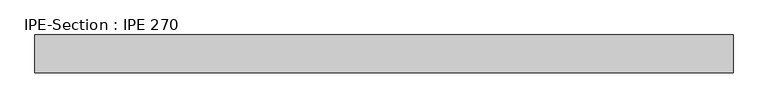
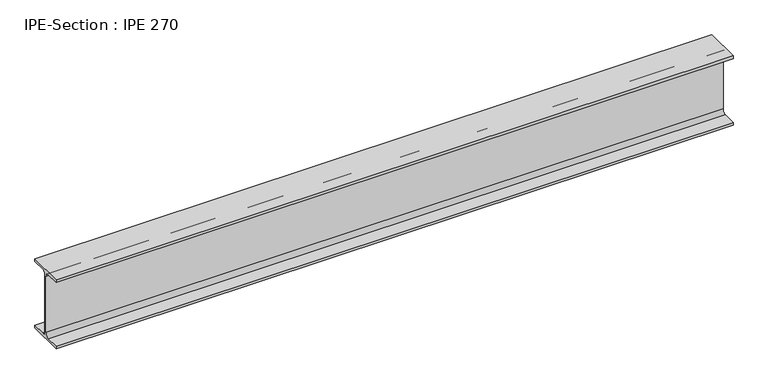
"""IFC4 building model written with IfcOpenShell, lengths in millimetres: beam geometry, IPE-Section : IPE 270."""

from ifc_helpers import new_model, si_unit, point, frame, frame_2d, origin, place, context, project, spatial, polyline, circle_curve, trimmed, segment, composite_curve, outline, extrude, source, transform, mapped, element, save


def ipe_section_ipe_270_b6443ca4(model_context):
    return source(origin(), model_context, "Body", "SweptSolid", [
        extrude(outline(composite_curve([segment(polyline([(67.5, -124.8), (67.5, -135.0), (-67.5, -135.0), (-67.5, -124.8), (-18.3, -124.8)]), True, "CONTINUOUS"), segment(trimmed(circle_curve(frame_2d((-18.3, -109.8)), 15.0), [point((-18.3, -124.8))], [point((-3.3, -109.8))], True, "CARTESIAN"), True, "CONTINUOUS"), segment(polyline([(-3.3, -109.8), (-3.3, 109.8)]), True, "CONTINUOUS"), segment(trimmed(circle_curve(frame_2d((-18.3, 109.8)), 15.0), [point((-3.3, 109.8))], [point((-18.3, 124.8))], True, "CARTESIAN"), True, "CONTINUOUS"), segment(polyline([(-18.3, 124.8), (-67.5, 124.8), (-67.5, 135.0), (67.5, 135.0), (67.5, 124.8), (18.3, 124.8)]), True, "CONTINUOUS"), segment(trimmed(circle_curve(frame_2d((18.3, 109.8)), 15.0), [point((18.3, 124.8))], [point((3.3, 109.8))], True, "CARTESIAN"), True, "CONTINUOUS"), segment(polyline([(3.3, 109.8), (3.3, -109.8)]), True, "CONTINUOUS"), segment(trimmed(circle_curve(frame_2d((18.3, -109.8)), 15.0), [point((3.3, -109.8))], [point((18.3, -124.8))], True, "CARTESIAN"), True, "CONTINUOUS"), segment(polyline([(18.3, -124.8), (67.5, -124.8)]), True, "CONTINUOUS")], self_intersect=False)), frame((-1242.5996577, 0.0, 0.0), z_axis=(1.0, 0.0, 0.0), x_axis=(0.0, 1.0, 0.0)), (0.0, 0.0, 1.0), 2495.6525299),
    ])


if __name__ == "__main__":
    model = new_model("IFC4")
    model_context = context("Model", 3, world=origin())
    ifc_project = project(units=[si_unit("LENGTHUNIT", "METRE", prefix="MILLI")], contexts=[model_context])
    site = spatial("IfcSite", under=ifc_project)
    building = spatial("IfcBuilding", under=site)
    placement = place(None, origin())
    ipe_section_ipe_270_shape = ipe_section_ipe_270_b6443ca4(model_context)
    element("IfcBeam", 1, ObjectType="IPE-Section : IPE 270", at=placement, inside=building, context=model_context, shape_type="MappedRepresentation", body=[
        mapped(ipe_section_ipe_270_shape, transform((0.0, 0.0, 0.0), x_axis=(1.0, 0.0, 0.0), y_axis=(0.0, 1.0, 0.0), z_axis=(0.0, 0.0, 1.0))),
    ])
    save(model, "model.ifc")
